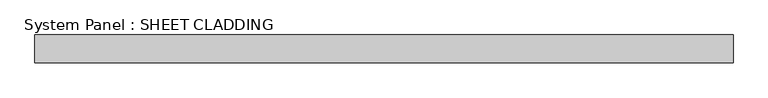
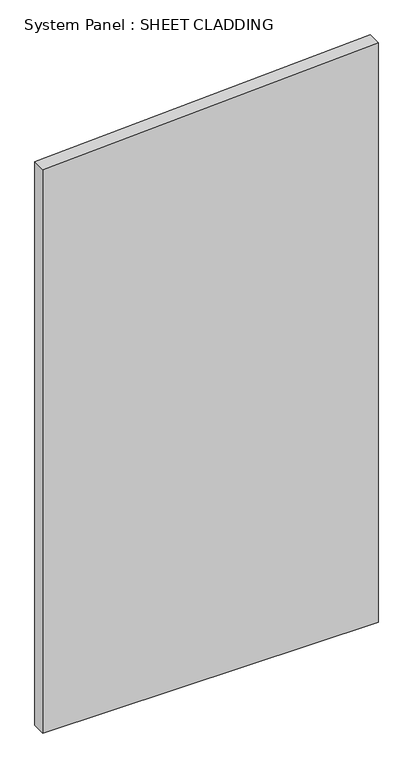
"""IFC4 building model written with IfcOpenShell, lengths in millimetres: plate geometry, System Panel : SHEET CLADDING."""

import ifcopenshell
import ifcopenshell.guid

model = None  # the IFC model being written
_history = None  # IfcOwnerHistory: only IFC2X3 demands one
_inside = {}  # id of a spatial element -> (the spatial element, [elements in it])
_under = {}  # id of a project, library or spatial element -> (it, [spatial elements below it])
_declared = {}  # id of a project -> (the project, [libraries it declares])
_typed = {}  # id of a type object -> (the type object, [elements of that type])
_made_of = {}  # id of a material, layer set ... -> (it, [elements and type objects made of it])


def new_model(schema):
    """Start an empty IFC model of exactly this schema.

    Asked for "IFC4X3", IfcOpenShell would pick the latest addendum, in which some entities
    have other attributes; the version numbers below select the first issue.
    IFC2X3 requires an IfcOwnerHistory on every rooted entity: one is made here for all.
    """
    global model, _history
    if schema == "IFC4X3":
        model = ifcopenshell.file(schema_version=(4, 3, 0, 0))
    else:
        model = ifcopenshell.file(schema=schema)
    _inside.clear()
    _under.clear()
    _declared.clear()
    _typed.clear()
    _made_of.clear()
    _history = None
    if model.schema == "IFC2X3":
        org = make("IfcOrganization", Name="unknown")
        user = make(
            "IfcPersonAndOrganization",
            ThePerson=make("IfcPerson", FamilyName="unknown"),
            TheOrganization=org,
        )
        app = make(
            "IfcApplication",
            ApplicationDeveloper=org,
            Version="unknown",
            ApplicationFullName="unknown",
            ApplicationIdentifier="unknown",
        )
        _history = make(
            "IfcOwnerHistory",
            OwningUser=user,
            OwningApplication=app,
            ChangeAction="ADDED",
            CreationDate=0,
        )
    return model


def make(cls, **values):
    """One entity of the class cls with the attributes given. An attribute that is None is left unset."""
    return model.create_entity(
        cls, **{name: value for name, value in values.items() if value is not None}
    )


def rooted(cls, **values):
    """An entity with a GlobalId (a new one), such as an element, a storey or a relation."""
    return make(cls, GlobalId=ifcopenshell.guid.new(), OwnerHistory=_history, **values)


def si_unit(unit_type, name, prefix=None):
    """IfcSIUnit, for example si_unit("LENGTHUNIT", "METRE", prefix="MILLI")."""
    return make("IfcSIUnit", UnitType=unit_type, Prefix=prefix, Name=name)


def assignment(units):
    """IfcUnitAssignment: the units of a project."""
    return None if units is None else make("IfcUnitAssignment", Units=units)


def point(xyz):
    """IfcCartesianPoint."""
    return None if xyz is None else make("IfcCartesianPoint", Coordinates=xyz)


def direction(xyz):
    """IfcDirection."""
    return None if xyz is None else make("IfcDirection", DirectionRatios=xyz)


def frame(location, z_axis=None, x_axis=None):
    """IfcAxis2Placement3D, a coordinate frame: its origin and axes. An axis left out is left unset."""
    return make(
        "IfcAxis2Placement3D",
        Location=point(location),
        Axis=direction(z_axis),
        RefDirection=direction(x_axis),
    )


def origin():
    """The frame at (0, 0, 0) with its axes left unset."""
    return frame((0.0, 0.0, 0.0))


def place(relative_to, where):
    """IfcLocalPlacement: puts the frame where relative to a parent placement (None: the world)."""
    return make(
        "IfcLocalPlacement", PlacementRelTo=relative_to, RelativePlacement=where
    )


def context(
    kind, dimensions, precision=None, world=None, true_north=None, identifier=None
):
    """IfcGeometricRepresentationContext, for example the 3D "Model" context."""
    return make(
        "IfcGeometricRepresentationContext",
        ContextIdentifier=identifier,
        ContextType=kind,
        CoordinateSpaceDimension=dimensions,
        Precision=precision,
        WorldCoordinateSystem=world,
        TrueNorth=true_north,
    )


def project(units=None, contexts=None):
    """IfcProject with its units and contexts."""
    return rooted(
        "IfcProject",
        Name="project",
        RepresentationContexts=contexts,
        UnitsInContext=assignment(units),
    )


def spatial(cls, under=None, at=None, **own):
    """A site, building, storey or space (cls), placed at a placement, below another one or the project."""
    s = rooted(cls, ObjectPlacement=at, **own)
    if under is not None:
        _under.setdefault(under.id(), (under, []))[1].append(s)
    return s


def polyline(points):
    """IfcPolyline through the points."""
    return make("IfcPolyline", Points=[point(p) for p in points])


def outline(outer, holes=None, kind="AREA"):
    """IfcArbitraryClosedProfileDef: a profile drawn as a closed curve; with holes, ...WithVoids."""
    if holes is None:
        return make("IfcArbitraryClosedProfileDef", ProfileType=kind, OuterCurve=outer)
    return make(
        "IfcArbitraryProfileDefWithVoids",
        ProfileType=kind,
        OuterCurve=outer,
        InnerCurves=holes,
    )


def extrude(swept, where, along, depth):
    """IfcExtrudedAreaSolid: the profile swept, set in the frame where, extruded along a direction by depth."""
    return make(
        "IfcExtrudedAreaSolid",
        SweptArea=swept,
        Position=where,
        ExtrudedDirection=direction(along),
        Depth=depth,
    )


def shape(context_of_items, identifier, shape_type, items):
    """IfcShapeRepresentation: the items that make up one representation, for example the "Body"."""
    return make(
        "IfcShapeRepresentation",
        ContextOfItems=context_of_items,
        RepresentationIdentifier=identifier,
        RepresentationType=shape_type,
        Items=items,
    )


def source(mapping_origin, context_of_items, identifier, shape_type, items):
    """IfcRepresentationMap: a shape defined once, which mapped items show again and again."""
    return make(
        "IfcRepresentationMap",
        MappingOrigin=mapping_origin,
        MappedRepresentation=shape(context_of_items, identifier, shape_type, items),
    )


def transform(
    local_origin,
    x_axis=None,
    y_axis=None,
    z_axis=None,
    scale=None,
    scale2=None,
    scale3=None,
    uniform=True,
):
    """IfcCartesianTransformationOperator3D, or its non-uniform kind. x_axis, y_axis, z_axis: its Axis1, 2, 3."""
    if uniform:
        return make(
            "IfcCartesianTransformationOperator3D",
            Axis1=direction(x_axis),
            Axis2=direction(y_axis),
            LocalOrigin=point(local_origin),
            Scale=scale,
            Axis3=direction(z_axis),
        )
    return make(
        "IfcCartesianTransformationOperator3DnonUniform",
        Axis1=direction(x_axis),
        Axis2=direction(y_axis),
        LocalOrigin=point(local_origin),
        Scale=scale,
        Axis3=direction(z_axis),
        Scale2=scale2,
        Scale3=scale3,
    )


def mapped(mapping_source, mapping_target):
    """IfcMappedItem: shows the shape of a source again, moved by a transform."""
    return make(
        "IfcMappedItem", MappingSource=mapping_source, MappingTarget=mapping_target
    )


def made_of(thing, what):
    """Note that an element or type object is made of a material, layer set ...; save() writes the relation."""
    if what is not None:
        _made_of.setdefault(what.id(), (what, []))[1].append(thing)
    return thing


def element(
    cls,
    number,
    at=None,
    inside=None,
    cuts=None,
    type_object=None,
    material=None,
    context=None,
    identifier="Body",
    shape_type=None,
    held_by="IfcProductDefinitionShape",
    body=None,
    shapes=None,
    **own,
):
    """One element of the class cls, such as IfcWall. Its Tag is "e" and its number.

    at: its placement. inside: the storey or other place that contains it. cuts: it is an
    opening in that element (IfcRelVoidsElement). A single representation is given by context,
    identifier, shape_type and body (its items); several are given by shapes. held_by: the class
    of the entity that holds the representations. save() writes the other relations.
    """
    e = rooted(cls, Tag="e%d" % number, ObjectPlacement=at, **own)
    if body is not None:
        shapes = [shape(context, identifier, shape_type, body)]
    if shapes is not None:
        e.Representation = make(held_by, Representations=shapes)
    if inside is not None:
        _inside.setdefault(inside.id(), (inside, []))[1].append(e)
    if cuts is not None:
        rooted(
            "IfcRelVoidsElement", RelatingBuildingElement=cuts, RelatedOpeningElement=e
        )
    if type_object is not None:
        _typed.setdefault(type_object.id(), (type_object, []))[1].append(e)
    return made_of(e, material)


def aggregate(whole, parts):
    """IfcRelAggregates: a whole, such as a stair, and the parts it consists of."""
    return rooted("IfcRelAggregates", RelatingObject=whole, RelatedObjects=parts)


def save(model, path):
    """Write the relations noted so far, then the file.

    IfcRelAggregates (storeys below a building ...), IfcRelContainedInSpatialStructure (elements
    in a storey), IfcRelDefinesByType, IfcRelAssociatesMaterial and IfcRelDeclares: one each for
    every whole, place, type object, material and project.
    """
    for whole, parts in _under.values():
        aggregate(whole, parts)
    for where, things in _inside.values():
        rooted(
            "IfcRelContainedInSpatialStructure",
            RelatedElements=things,
            RelatingStructure=where,
        )
    for kind, things in _typed.values():
        rooted("IfcRelDefinesByType", RelatedObjects=things, RelatingType=kind)
    for what, things in _made_of.values():
        rooted("IfcRelAssociatesMaterial", RelatedObjects=things, RelatingMaterial=what)
    for by, libraries in _declared.values():
        rooted("IfcRelDeclares", RelatingContext=by, RelatedDefinitions=libraries)
    model.write(path)


def system_panel_sheet_cladding_f85c4c4a(model_context):
    return source(origin(), model_context, "Body", "SweptSolid", [
        extrude(outline(polyline([(0.0, -750.0), (0.0, 750.0), (2740.0, 750.0), (2665.0, -750.0), (0.0, -750.0)])), frame((0.0, -10.5, 0.0), z_axis=(0.0, 1.0, 0.0), x_axis=(0.0, 0.0, 1.0)), (0.0, 0.0, 1.0), 60.0),
    ])


if __name__ == "__main__":
    model = new_model("IFC4")
    model_context = context("Model", 3, world=origin())
    ifc_project = project(units=[si_unit("LENGTHUNIT", "METRE", prefix="MILLI")], contexts=[model_context])
    site = spatial("IfcSite", under=ifc_project)
    building = spatial("IfcBuilding", under=site)
    placement = place(None, origin())
    system_panel_sheet_cladding_shape = system_panel_sheet_cladding_f85c4c4a(model_context)
    element("IfcPlate", 1, ObjectType="System Panel : SHEET CLADDING", at=placement, inside=building, context=model_context, shape_type="MappedRepresentation", body=[
        mapped(system_panel_sheet_cladding_shape, transform((0.0, 0.0, 0.0), x_axis=(1.0, 0.0, 0.0), y_axis=(0.0, 1.0, 0.0), z_axis=(0.0, 0.0, 1.0))),
    ])
    save(model, "model.ifc")
